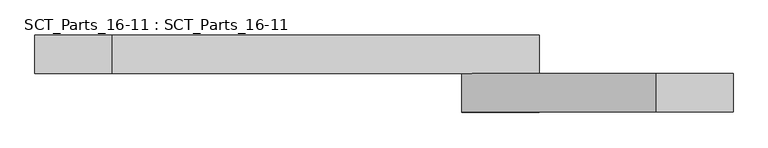
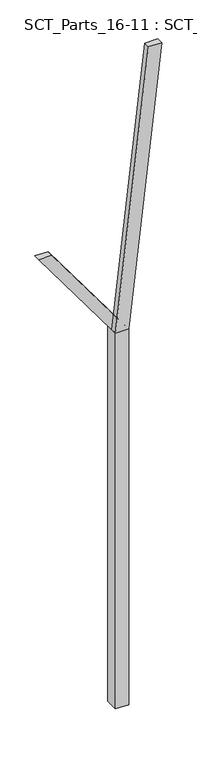
"""IFC4 building model written with IfcOpenShell, lengths in millimetres: proxy geometry, SCT_Parts_16-11 : SCT_Parts_16-11."""

import ifcopenshell
import ifcopenshell.guid

model = None  # the IFC model being written
_history = None  # IfcOwnerHistory: only IFC2X3 demands one
_inside = {}  # id of a spatial element -> (the spatial element, [elements in it])
_under = {}  # id of a project, library or spatial element -> (it, [spatial elements below it])
_declared = {}  # id of a project -> (the project, [libraries it declares])
_typed = {}  # id of a type object -> (the type object, [elements of that type])
_made_of = {}  # id of a material, layer set ... -> (it, [elements and type objects made of it])


def new_model(schema):
    """Start an empty IFC model of exactly this schema.

    Asked for "IFC4X3", IfcOpenShell would pick the latest addendum, in which some entities
    have other attributes; the version numbers below select the first issue.
    IFC2X3 requires an IfcOwnerHistory on every rooted entity: one is made here for all.
    """
    global model, _history
    if schema == "IFC4X3":
        model = ifcopenshell.file(schema_version=(4, 3, 0, 0))
    else:
        model = ifcopenshell.file(schema=schema)
    _inside.clear()
    _under.clear()
    _declared.clear()
    _typed.clear()
    _made_of.clear()
    _history = None
    if model.schema == "IFC2X3":
        org = make("IfcOrganization", Name="unknown")
        user = make(
            "IfcPersonAndOrganization",
            ThePerson=make("IfcPerson", FamilyName="unknown"),
            TheOrganization=org,
        )
        app = make(
            "IfcApplication",
            ApplicationDeveloper=org,
            Version="unknown",
            ApplicationFullName="unknown",
            ApplicationIdentifier="unknown",
        )
        _history = make(
            "IfcOwnerHistory",
            OwningUser=user,
            OwningApplication=app,
            ChangeAction="ADDED",
            CreationDate=0,
        )
    return model


def make(cls, **values):
    """One entity of the class cls with the attributes given. An attribute that is None is left unset."""
    return model.create_entity(
        cls, **{name: value for name, value in values.items() if value is not None}
    )


def rooted(cls, **values):
    """An entity with a GlobalId (a new one), such as an element, a storey or a relation."""
    return make(cls, GlobalId=ifcopenshell.guid.new(), OwnerHistory=_history, **values)


def si_unit(unit_type, name, prefix=None):
    """IfcSIUnit, for example si_unit("LENGTHUNIT", "METRE", prefix="MILLI")."""
    return make("IfcSIUnit", UnitType=unit_type, Prefix=prefix, Name=name)


def assignment(units):
    """IfcUnitAssignment: the units of a project."""
    return None if units is None else make("IfcUnitAssignment", Units=units)


def point(xyz):
    """IfcCartesianPoint."""
    return None if xyz is None else make("IfcCartesianPoint", Coordinates=xyz)


def direction(xyz):
    """IfcDirection."""
    return None if xyz is None else make("IfcDirection", DirectionRatios=xyz)


def frame(location, z_axis=None, x_axis=None):
    """IfcAxis2Placement3D, a coordinate frame: its origin and axes. An axis left out is left unset."""
    return make(
        "IfcAxis2Placement3D",
        Location=point(location),
        Axis=direction(z_axis),
        RefDirection=direction(x_axis),
    )


def origin():
    """The frame at (0, 0, 0) with its axes left unset."""
    return frame((0.0, 0.0, 0.0))


def origin_with_axes():
    """The frame at (0, 0, 0) with the z axis (0, 0, 1) and the x axis (1, 0, 0) written out."""
    return frame((0.0, 0.0, 0.0), z_axis=(0.0, 0.0, 1.0), x_axis=(1.0, 0.0, 0.0))


def place(relative_to, where):
    """IfcLocalPlacement: puts the frame where relative to a parent placement (None: the world)."""
    return make(
        "IfcLocalPlacement", PlacementRelTo=relative_to, RelativePlacement=where
    )


def context(
    kind, dimensions, precision=None, world=None, true_north=None, identifier=None
):
    """IfcGeometricRepresentationContext, for example the 3D "Model" context."""
    return make(
        "IfcGeometricRepresentationContext",
        ContextIdentifier=identifier,
        ContextType=kind,
        CoordinateSpaceDimension=dimensions,
        Precision=precision,
        WorldCoordinateSystem=world,
        TrueNorth=true_north,
    )


def project(units=None, contexts=None):
    """IfcProject with its units and contexts."""
    return rooted(
        "IfcProject",
        Name="project",
        RepresentationContexts=contexts,
        UnitsInContext=assignment(units),
    )


def spatial(cls, under=None, at=None, **own):
    """A site, building, storey or space (cls), placed at a placement, below another one or the project."""
    s = rooted(cls, ObjectPlacement=at, **own)
    if under is not None:
        _under.setdefault(under.id(), (under, []))[1].append(s)
    return s


def polyline(points):
    """IfcPolyline through the points."""
    return make("IfcPolyline", Points=[point(p) for p in points])


def outline(outer, holes=None, kind="AREA"):
    """IfcArbitraryClosedProfileDef: a profile drawn as a closed curve; with holes, ...WithVoids."""
    if holes is None:
        return make("IfcArbitraryClosedProfileDef", ProfileType=kind, OuterCurve=outer)
    return make(
        "IfcArbitraryProfileDefWithVoids",
        ProfileType=kind,
        OuterCurve=outer,
        InnerCurves=holes,
    )


def extrude(swept, where, along, depth):
    """IfcExtrudedAreaSolid: the profile swept, set in the frame where, extruded along a direction by depth."""
    return make(
        "IfcExtrudedAreaSolid",
        SweptArea=swept,
        Position=where,
        ExtrudedDirection=direction(along),
        Depth=depth,
    )


def shape(context_of_items, identifier, shape_type, items):
    """IfcShapeRepresentation: the items that make up one representation, for example the "Body"."""
    return make(
        "IfcShapeRepresentation",
        ContextOfItems=context_of_items,
        RepresentationIdentifier=identifier,
        RepresentationType=shape_type,
        Items=items,
    )


def source(mapping_origin, context_of_items, identifier, shape_type, items):
    """IfcRepresentationMap: a shape defined once, which mapped items show again and again."""
    return make(
        "IfcRepresentationMap",
        MappingOrigin=mapping_origin,
        MappedRepresentation=shape(context_of_items, identifier, shape_type, items),
    )


def transform(
    local_origin,
    x_axis=None,
    y_axis=None,
    z_axis=None,
    scale=None,
    scale2=None,
    scale3=None,
    uniform=True,
):
    """IfcCartesianTransformationOperator3D, or its non-uniform kind. x_axis, y_axis, z_axis: its Axis1, 2, 3."""
    if uniform:
        return make(
            "IfcCartesianTransformationOperator3D",
            Axis1=direction(x_axis),
            Axis2=direction(y_axis),
            LocalOrigin=point(local_origin),
            Scale=scale,
            Axis3=direction(z_axis),
        )
    return make(
        "IfcCartesianTransformationOperator3DnonUniform",
        Axis1=direction(x_axis),
        Axis2=direction(y_axis),
        LocalOrigin=point(local_origin),
        Scale=scale,
        Axis3=direction(z_axis),
        Scale2=scale2,
        Scale3=scale3,
    )


def mapped(mapping_source, mapping_target):
    """IfcMappedItem: shows the shape of a source again, moved by a transform."""
    return make(
        "IfcMappedItem", MappingSource=mapping_source, MappingTarget=mapping_target
    )


def made_of(thing, what):
    """Note that an element or type object is made of a material, layer set ...; save() writes the relation."""
    if what is not None:
        _made_of.setdefault(what.id(), (what, []))[1].append(thing)
    return thing


def element(
    cls,
    number,
    at=None,
    inside=None,
    cuts=None,
    type_object=None,
    material=None,
    context=None,
    identifier="Body",
    shape_type=None,
    held_by="IfcProductDefinitionShape",
    body=None,
    shapes=None,
    **own,
):
    """One element of the class cls, such as IfcWall. Its Tag is "e" and its number.

    at: its placement. inside: the storey or other place that contains it. cuts: it is an
    opening in that element (IfcRelVoidsElement). A single representation is given by context,
    identifier, shape_type and body (its items); several are given by shapes. held_by: the class
    of the entity that holds the representations. save() writes the other relations.
    """
    e = rooted(cls, Tag="e%d" % number, ObjectPlacement=at, **own)
    if body is not None:
        shapes = [shape(context, identifier, shape_type, body)]
    if shapes is not None:
        e.Representation = make(held_by, Representations=shapes)
    if inside is not None:
        _inside.setdefault(inside.id(), (inside, []))[1].append(e)
    if cuts is not None:
        rooted(
            "IfcRelVoidsElement", RelatingBuildingElement=cuts, RelatedOpeningElement=e
        )
    if type_object is not None:
        _typed.setdefault(type_object.id(), (type_object, []))[1].append(e)
    return made_of(e, material)


def aggregate(whole, parts):
    """IfcRelAggregates: a whole, such as a stair, and the parts it consists of."""
    return rooted("IfcRelAggregates", RelatingObject=whole, RelatedObjects=parts)


def save(model, path):
    """Write the relations noted so far, then the file.

    IfcRelAggregates (storeys below a building ...), IfcRelContainedInSpatialStructure (elements
    in a storey), IfcRelDefinesByType, IfcRelAssociatesMaterial and IfcRelDeclares: one each for
    every whole, place, type object, material and project.
    """
    for whole, parts in _under.values():
        aggregate(whole, parts)
    for where, things in _inside.values():
        rooted(
            "IfcRelContainedInSpatialStructure",
            RelatedElements=things,
            RelatingStructure=where,
        )
    for kind, things in _typed.values():
        rooted("IfcRelDefinesByType", RelatedObjects=things, RelatingType=kind)
    for what, things in _made_of.values():
        rooted("IfcRelAssociatesMaterial", RelatedObjects=things, RelatingMaterial=what)
    for by, libraries in _declared.values():
        rooted("IfcRelDeclares", RelatingContext=by, RelatedDefinitions=libraries)
    model.write(path)


def sct_parts_16_11_sct_parts_16_11_211da2e1(model_context):
    return source(origin(), model_context, "Body", "SweptSolid", [
        extrude(outline(polyline([(6000.0, 200.0), (10400.0, 700.0), (10400.0, 500.0), (6000.0, 0.0), (6000.0, 200.0)])), frame((0.0, -200.0, 0.0), z_axis=(0.0, 1.0, 0.0), x_axis=(0.0, 0.0, 1.0)), (0.0, 0.0, 1.0), 100.0),
        extrude(outline(polyline([(6000.0, 0.0), (6000.0, 200.0), (7500.0, -900.0), (7500.0, -1100.0), (6000.0, 0.0)])), frame((0.0, -100.0, 0.0), z_axis=(0.0, 1.0, 0.0), x_axis=(0.0, 0.0, 1.0)), (0.0, 0.0, 1.0), 100.0),
        extrude(outline(polyline([(200.0, -200.0), (0.0, -200.0), (0.0, 0.0), (200.0, 0.0), (200.0, -200.0)])), origin_with_axes(), (0.0, 0.0, 1.0), 6000.0),
    ])


if __name__ == "__main__":
    model = new_model("IFC4")
    model_context = context("Model", 3, world=origin())
    ifc_project = project(units=[si_unit("LENGTHUNIT", "METRE", prefix="MILLI")], contexts=[model_context])
    site = spatial("IfcSite", under=ifc_project)
    building = spatial("IfcBuilding", under=site)
    placement = place(None, origin())
    sct_parts_16_11_sct_parts_16_11_shape = sct_parts_16_11_sct_parts_16_11_211da2e1(model_context)
    element("IfcBuildingElementProxy", 1, Name="SCT_Parts_16-11 : SCT_Parts_16-11", ObjectType="SCT_Parts_16-11 : SCT_Parts_16-11", at=placement, inside=building, context=model_context, shape_type="MappedRepresentation", body=[
        mapped(sct_parts_16_11_sct_parts_16_11_shape, transform((0.0, 0.0, 0.0), x_axis=(1.0, 0.0, 0.0), y_axis=(0.0, 1.0, 0.0), z_axis=(0.0, 0.0, 1.0))),
    ])
    save(model, "model.ifc")
